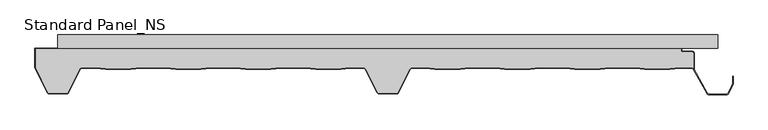
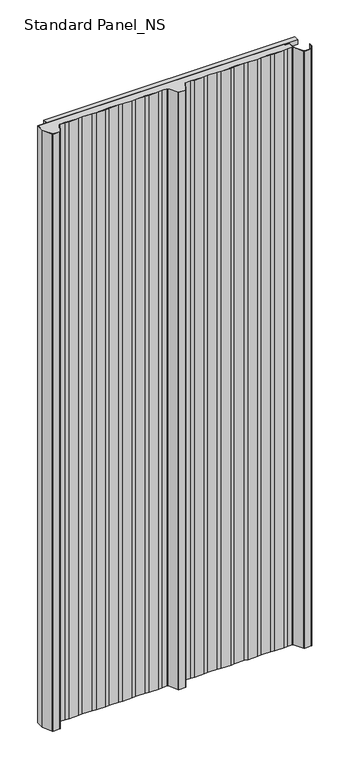
"""IFC4 building model written with IfcOpenShell, lengths in millimetres: proxy geometry, Standard Panel_NS."""

from ifc_helpers import new_model, si_unit, point, frame, frame_2d, origin, origin_with_axes, place, context, project, spatial, polyline, circle_curve, trimmed, segment, composite_curve, outline, extrude, source, transform, mapped, element, save


def standard_panel_ns_e4c65f24(model_context):
    return source(origin(), model_context, "Body", "SweptSolid", [
        extrude(outline(polyline([(-20.0, 0.0), (-20.0, 20.0), (0.0, 20.0), (0.0, 0.0), (-20.0, 0.0)]), holes=[polyline([(-0.9, 19.1), (-19.1, 19.1), (-19.1, 0.9), (-0.9, 0.9), (-0.9, 19.1)])]), frame((-499.5000907, 0.0, 0.0), z_axis=(1.0, 0.0, 0.0), x_axis=(0.0, 1.0, 0.0)), (0.0, 0.0, 1.0), 999.5000907),
        extrude(outline(polyline([(-20.0, 2512.4689053), (0.0, 2512.4689053), (0.0, 2492.4689053), (-20.0, 2492.4689053), (-20.0, 2512.4689053)]), holes=[polyline([(-0.9, 2511.5689053), (-19.1, 2511.5689053), (-19.1, 2493.3689053), (-0.9, 2493.3689053), (-0.9, 2511.5689053)])]), frame((-500.0, 0.0, 0.0), z_axis=(1.0, 0.0, 0.0), x_axis=(0.0, 1.0, 0.0)), (0.0, 0.0, 1.0), 1000.0),
        extrude(outline(composite_curve([segment(polyline([(463.3333678, -27.9776976), (463.3333678, -51.2827781)]), True, "CONTINUOUS"), segment(trimmed(circle_curve(frame_2d((460.1791882, -53.4020117)), 3.8), [point((463.3333678, -51.2827781))], [point((460.2255768, -49.6022949))], True, "CARTESIAN"), True, "CONTINUOUS"), segment(polyline([(460.2255768, -49.6022949), (442.3850007, -49.6022949), (427.5232716, -51.4), (389.5003906, -51.4), (374.6528383, -49.6040097), (336.3708239, -49.6040097), (321.5232716, -51.4), (283.5003906, -51.4), (268.6670151, -49.6057246), (230.356647, -49.6057246), (215.5232716, -51.4), (177.5003906, -51.4), (162.6811919, -49.6074394), (124.3424702, -49.6074394), (109.5232716, -51.4), (71.5003906, -51.4), (56.6929307, -49.6088594), (36.8490422, -49.6088594)]), True, "CONTINUOUS"), segment(trimmed(circle_curve(frame_2d((36.8490422, -53.4088594)), 3.8), [point((36.8490422, -49.6088594))], [point((33.4515652, -51.7067576))], True, "CARTESIAN"), True, "CONTINUOUS"), segment(polyline([(33.4515652, -51.7067576), (15.1133281, -87.389061)]), True, "CONTINUOUS"), segment(trimmed(circle_curve(frame_2d((13.1431912, -86.41)), 2.2), [point((15.1133281, -87.389061))], [point((13.1431912, -88.61))], False, "CARTESIAN"), True, "CONTINUOUS"), segment(polyline([(13.1431912, -88.61), (-13.1465337, -88.61)]), True, "CONTINUOUS"), segment(trimmed(circle_curve(frame_2d((-13.1465337, -86.41)), 2.2), [point((-13.1465337, -88.61))], [point((-15.1166702, -87.3890619))], False, "CARTESIAN"), True, "CONTINUOUS"), segment(polyline([(-15.1166702, -87.3890619), (-33.4593215, -51.697919)]), True, "CONTINUOUS"), segment(trimmed(circle_curve(frame_2d((-36.856799, -53.4000196)), 3.8), [point((-33.4593215, -51.697919))], [point((-36.856799, -49.6000196))], True, "CARTESIAN"), True, "CONTINUOUS"), segment(polyline([(-36.856799, -49.6000196), (-56.6231947, -49.6000196), (-71.5037331, -51.4), (-109.5266141, -51.4), (-124.4071525, -49.6000196), (-162.6231947, -49.6000196), (-177.5037331, -51.4), (-215.5266141, -51.4), (-230.4071525, -49.6000196), (-268.6231947, -49.6000196), (-283.5037331, -51.4), (-321.5266141, -51.4), (-336.4071525, -49.6000196), (-374.6231947, -49.6000196), (-389.5037331, -51.4), (-427.5266141, -51.4), (-442.4071525, -49.6000196), (-463.5629534, -49.6000196)]), True, "CONTINUOUS"), segment(trimmed(circle_curve(frame_2d((-463.5629534, -53.4000196)), 3.8), [point((-463.5629534, -49.6000196))], [point((-466.9621881, -51.7014308))], True, "CARTESIAN"), True, "CONTINUOUS"), segment(polyline([(-466.9621881, -51.7014308), (-484.8632284, -87.3198221)]), True, "CONTINUOUS"), segment(trimmed(circle_curve(frame_2d((-486.83184, -86.3376976)), 2.2), [point((-484.8632284, -87.3198221))], [point((-486.83184, -88.5376976))], False, "CARTESIAN"), True, "CONTINUOUS"), segment(polyline([(-486.83184, -88.5376976), (-513.1679785, -88.5376976)]), True, "CONTINUOUS"), segment(trimmed(circle_curve(frame_2d((-513.1679785, -86.3376976)), 2.2), [point((-513.1679785, -88.5376976))], [point((-515.1468491, -87.2989838))], False, "CARTESIAN"), True, "CONTINUOUS"), segment(polyline([(-515.1468491, -87.2989838), (-533.8689812, -49.987751), (-533.8689812, -20.8776976), (444.4044996, -20.8776976), (444.4044996, -25.8776976), (461.2333678, -25.8776976)]), True, "CONTINUOUS"), segment(trimmed(circle_curve(frame_2d((461.2333678, -27.9776976)), 2.1), [point((461.2333678, -25.8776976))], [point((463.3333678, -27.9776976))], False, "CARTESIAN"), True, "CONTINUOUS")], self_intersect=False)), origin_with_axes(), (0.0, 0.0, 1.0), 2512.4689053),
        extrude(outline(composite_curve([segment(polyline([(-321.5748232, -52.2), (-336.4553616, -50.4000196), (-374.5749856, -50.4000196), (-389.455524, -52.2), (-427.5748232, -52.2), (-442.4553616, -50.4000196), (-463.5629534, -50.4000196)]), True, "CONTINUOUS"), segment(trimmed(circle_curve(frame_2d((-463.5629534, -53.4000196)), 3.0), [point((-463.5629534, -50.4000196))], [point((-466.2469048, -52.0597193))], True, "CARTESIAN"), True, "CONTINUOUS"), segment(polyline([(-466.2469048, -52.0597193), (-484.1478886, -87.7003003)]), True, "CONTINUOUS"), segment(trimmed(circle_curve(frame_2d((-486.83184, -86.36)), 3.0), [point((-484.1478886, -87.7003003))], [point((-486.83184, -89.36))], False, "CARTESIAN"), True, "CONTINUOUS"), segment(polyline([(-486.83184, -89.36), (-513.1679785, -89.36)]), True, "CONTINUOUS"), segment(trimmed(circle_curve(frame_2d((-513.1679785, -86.36)), 3.0), [point((-513.1679785, -89.36))], [point((-515.8640556, -87.6757386))], False, "CARTESIAN"), True, "CONTINUOUS"), segment(polyline([(-515.8640556, -87.6757386), (-534.7689812, -49.9776976), (-533.8740229, -49.9776976), (-515.1468491, -87.3212862)]), True, "CONTINUOUS"), segment(trimmed(circle_curve(frame_2d((-513.1679785, -86.36)), 2.2), [point((-515.1468491, -87.3212862))], [point((-513.1679785, -88.56))], True, "CARTESIAN"), True, "CONTINUOUS"), segment(polyline([(-513.1679785, -88.56), (-486.83184, -88.56)]), True, "CONTINUOUS"), segment(trimmed(circle_curve(frame_2d((-486.83184, -86.36)), 2.2), [point((-486.83184, -88.56))], [point((-484.8632284, -87.3421244))], True, "CARTESIAN"), True, "CONTINUOUS"), segment(polyline([(-484.8632284, -87.3421244), (-466.9621881, -51.7014308)]), True, "CONTINUOUS"), segment(trimmed(circle_curve(frame_2d((-463.5629534, -53.4000196)), 3.8), [point((-466.9621881, -51.7014308))], [point((-463.5629534, -49.6000196))], False, "CARTESIAN"), True, "CONTINUOUS"), segment(polyline([(-463.5629534, -49.6000196), (-442.4071525, -49.6000196), (-427.5266141, -51.4), (-389.5037331, -51.4), (-374.6231947, -49.6000196), (-336.4071525, -49.6000196), (-321.5266141, -51.4), (-283.5037331, -51.4), (-268.6231947, -49.6000196), (-230.4071525, -49.6000196), (-215.5266141, -51.4), (-177.5037331, -51.4), (-162.6231947, -49.6000196), (-124.4071525, -49.6000196), (-109.5266141, -51.4), (-71.5037331, -51.4), (-56.6231947, -49.6000196), (-36.856799, -49.6000196)]), True, "CONTINUOUS"), segment(trimmed(circle_curve(frame_2d((-36.856799, -53.4000196)), 3.8), [point((-36.856799, -49.6000196))], [point((-33.4593215, -51.697919))], False, "CARTESIAN"), True, "CONTINUOUS"), segment(polyline([(-33.4593215, -51.697919), (-15.1166702, -87.3890619)]), True, "CONTINUOUS"), segment(trimmed(circle_curve(frame_2d((-13.1465337, -86.41)), 2.2), [point((-15.1166702, -87.3890619))], [point((-13.1465337, -88.61))], True, "CARTESIAN"), True, "CONTINUOUS"), segment(polyline([(-13.1465337, -88.61), (13.1431912, -88.61)]), True, "CONTINUOUS"), segment(trimmed(circle_curve(frame_2d((13.1431912, -86.41)), 2.2), [point((13.1431912, -88.61))], [point((15.1133281, -87.389061))], True, "CARTESIAN"), True, "CONTINUOUS"), segment(polyline([(15.1133281, -87.389061), (33.4515652, -51.7067576)]), True, "CONTINUOUS"), segment(trimmed(circle_curve(frame_2d((36.8490422, -53.4088594)), 3.8), [point((33.4515652, -51.7067576))], [point((36.8490422, -49.6088594))], False, "CARTESIAN"), True, "CONTINUOUS"), segment(polyline([(36.8490422, -49.6088594), (56.6929307, -49.6088594), (71.5003906, -51.4), (109.5232716, -51.4), (124.3424702, -49.6074394), (162.6811919, -49.6074394), (177.5003906, -51.4), (215.5232716, -51.4), (230.356647, -49.6057246), (268.6670151, -49.6057246), (283.5003906, -51.4), (321.5232716, -51.4), (336.3708239, -49.6040097), (374.6528383, -49.6040097), (389.5003906, -51.4), (427.5232716, -51.4), (442.3850007, -49.6022949), (460.1327996, -49.6022949)]), True, "CONTINUOUS"), segment(trimmed(circle_curve(frame_2d((460.1791882, -53.4020117)), 3.8), [point((460.1327996, -49.6022949))], [point((463.5049669, -51.5637527))], False, "CARTESIAN"), True, "CONTINUOUS"), segment(polyline([(463.5049669, -51.5637527), (484.4077107, -88.4591287)]), True, "CONTINUOUS"), segment(trimmed(circle_curve(frame_2d((486.3366684, -87.401243)), 2.2), [point((484.4077107, -88.4591287))], [point((486.3366684, -89.601243))], True, "CARTESIAN"), True, "CONTINUOUS"), segment(polyline([(486.3366684, -89.601243), (513.6856739, -89.601243)]), True, "CONTINUOUS"), segment(trimmed(circle_curve(frame_2d((513.6856739, -87.401243)), 2.2), [point((513.6856739, -89.601243))], [point((515.6539049, -88.3841299))], True, "CARTESIAN"), True, "CONTINUOUS"), segment(polyline([(515.6539049, -88.3841299), (522.1830897, -75.3094373)]), True, "CONTINUOUS"), segment(trimmed(circle_curve(frame_2d((520.2148587, -74.3265504)), 2.2), [point((522.1830897, -75.3094373))], [point((522.4148587, -74.3265504))], True, "CARTESIAN"), True, "CONTINUOUS"), segment(polyline([(522.4148587, -74.3265504), (522.4148587, -62.8571101), (523.2148587, -62.8571101), (523.2148587, -74.3265504)]), True, "CONTINUOUS"), segment(trimmed(circle_curve(frame_2d((520.2148587, -74.3265504)), 3.0), [point((523.2148587, -74.3265504))], [point((522.8988101, -75.6668507))], False, "CARTESIAN"), True, "CONTINUOUS"), segment(polyline([(522.8988101, -75.6668507), (516.3696253, -88.7415434)]), True, "CONTINUOUS"), segment(trimmed(circle_curve(frame_2d((513.6856739, -87.401243)), 3.0), [point((516.3696253, -88.7415434))], [point((513.6856739, -90.401243))], False, "CARTESIAN"), True, "CONTINUOUS"), segment(polyline([(513.6856739, -90.401243), (486.3366684, -90.401243)]), True, "CONTINUOUS"), segment(trimmed(circle_curve(frame_2d((486.3366684, -87.401243)), 3.0), [point((486.3366684, -90.401243))], [point((483.709141, -88.8490344))], False, "CARTESIAN"), True, "CONTINUOUS"), segment(polyline([(483.709141, -88.8490344), (462.8067156, -51.9542204)]), True, "CONTINUOUS"), segment(trimmed(circle_curve(frame_2d((460.1791882, -53.4020117)), 3.0), [point((462.8067156, -51.9542204))], [point((460.137971, -50.4022949))], True, "CARTESIAN"), True, "CONTINUOUS"), segment(polyline([(460.137971, -50.4022949), (442.4332098, -50.4022949), (427.5714807, -52.2), (389.4521815, -52.2), (374.6046292, -50.4040097), (336.419033, -50.4040097), (321.5714807, -52.2), (283.4521815, -52.2), (268.618806, -50.4057246), (230.4048562, -50.4057246), (215.5714807, -52.2), (177.4521815, -52.2), (162.6329828, -50.4074394), (124.3906793, -50.4074394), (109.5714807, -52.2), (71.4521815, -52.2), (56.6447216, -50.4088594), (36.8490422, -50.4088594)]), True, "CONTINUOUS"), segment(trimmed(circle_curve(frame_2d((36.8490422, -53.4088594)), 3.0), [point((36.8490422, -50.4088594))], [point((34.1650908, -52.0685591))], True, "CARTESIAN"), True, "CONTINUOUS"), segment(polyline([(34.1650908, -52.0685591), (15.8271426, -87.7503003)]), True, "CONTINUOUS"), segment(trimmed(circle_curve(frame_2d((13.1431912, -86.41)), 3.0), [point((15.8271426, -87.7503003))], [point((13.1431912, -89.41))], False, "CARTESIAN"), True, "CONTINUOUS"), segment(polyline([(13.1431912, -89.41), (-13.1465337, -89.41)]), True, "CONTINUOUS"), segment(trimmed(circle_curve(frame_2d((-13.1465337, -86.41)), 3.0), [point((-13.1465337, -89.41))], [point((-15.8304851, -87.7503003))], False, "CARTESIAN"), True, "CONTINUOUS"), segment(polyline([(-15.8304851, -87.7503003), (-34.1728476, -52.0597193)]), True, "CONTINUOUS"), segment(trimmed(circle_curve(frame_2d((-36.856799, -53.4000196)), 3.0), [point((-34.1728476, -52.0597193))], [point((-36.856799, -50.4000196))], True, "CARTESIAN"), True, "CONTINUOUS"), segment(polyline([(-36.856799, -50.4000196), (-56.5749856, -50.4000196), (-71.455524, -52.2), (-109.5748232, -52.2), (-124.4553616, -50.4000196), (-162.5749856, -50.4000196), (-177.455524, -52.2), (-215.5748232, -52.2), (-230.4553616, -50.4000196), (-268.5749856, -50.4000196), (-283.455524, -52.2), (-321.5748232, -52.2)]), True, "CONTINUOUS")], self_intersect=False)), origin_with_axes(), (0.0, 0.0, 1.0), 2512.4689053),
        extrude(outline(composite_curve([segment(polyline([(-534.7689812, -49.9776976), (-534.7689812, -20.0), (445.3044996, -20.0), (445.3044996, -25.0), (461.2333678, -25.0)]), True, "CONTINUOUS"), segment(trimmed(circle_curve(frame_2d((461.2333678, -28.0)), 3.0), [point((461.2333678, -25.0))], [point((464.2333678, -28.0))], False, "CARTESIAN"), True, "CONTINUOUS"), segment(polyline([(464.2333678, -28.0), (464.2333678, -52.8494512), (463.3333678, -51.2827781), (463.3333678, -28.0)]), True, "CONTINUOUS"), segment(trimmed(circle_curve(frame_2d((461.2333678, -28.0)), 2.1), [point((463.3333678, -28.0))], [point((461.2333678, -25.9))], True, "CARTESIAN"), True, "CONTINUOUS"), segment(polyline([(461.2333678, -25.9), (444.4044996, -25.9), (444.4044996, -20.9), (-533.8689812, -20.9), (-533.8689812, -49.9776976), (-534.7689812, -49.9776976)]), True, "CONTINUOUS")], self_intersect=False)), origin_with_axes(), (0.0, 0.0, 1.0), 2512.4689053),
    ])


if __name__ == "__main__":
    model = new_model("IFC4")
    model_context = context("Model", 3, world=origin())
    ifc_project = project(units=[si_unit("LENGTHUNIT", "METRE", prefix="MILLI")], contexts=[model_context])
    site = spatial("IfcSite", under=ifc_project)
    building = spatial("IfcBuilding", under=site)
    placement = place(None, origin())
    standard_panel_ns_shape = standard_panel_ns_e4c65f24(model_context)
    element("IfcBuildingElementProxy", 1, Name="Standard Panel_NS", ObjectType="Standard Panel_NS", at=placement, inside=building, context=model_context, shape_type="MappedRepresentation", body=[
        mapped(standard_panel_ns_shape, transform((0.0, 0.0, 0.0), x_axis=(1.0, 0.0, 0.0), y_axis=(0.0, 1.0, 0.0), z_axis=(0.0, 0.0, 1.0))),
    ])
    save(model, "model.ifc")
